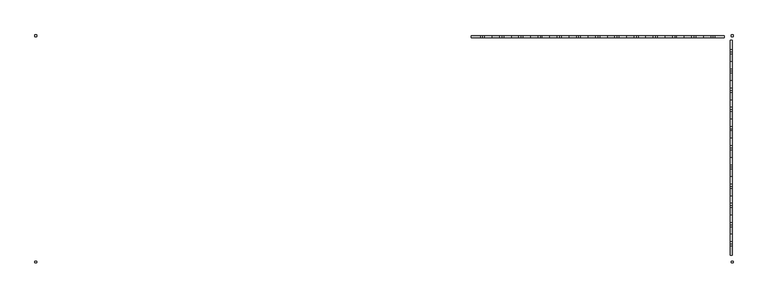
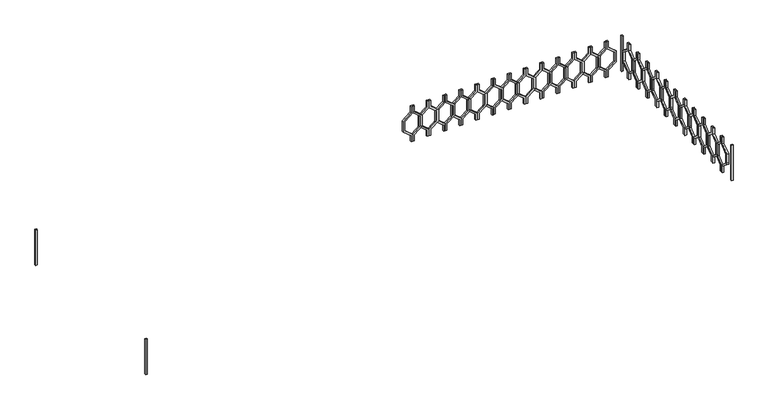
"""IFC4 building model written with IfcOpenShell, lengths in millimetres: railing geometry."""

from ifc_helpers import new_model, si_unit, frame, origin, place, context, project, spatial, polyline, outline, extrude, source, transform, mapped, element, save


def railing_db659bd9(model_context):
    return source(origin(), model_context, "Body", "SweptSolid", [
        extrude(outline(polyline([(18760.0, -43314.9887159), (18760.0, -43334.9887159), (18680.0, -43334.9887159), (18600.0, -43433.9836653), (18460.0, -43433.9836653), (18380.0, -43334.9887159), (18300.0, -43334.9887159), (18300.0, -43314.9887159), (18389.551845, -43314.9887159), (18469.551845, -43413.9836653), (18590.448155, -43413.9836653), (18670.448155, -43314.9887159), (18760.0, -43314.9887159)])), frame((0.0, 3248.1079487, 0.0), z_axis=(0.0, 1.0, 0.0), x_axis=(0.0, 0.0, 1.0)), (0.0, 0.0, 1.0), 20.0),
        extrude(outline(polyline([(18760.0, -43314.9887159), (18670.448155, -43314.9887159), (18590.448155, -43215.9937665), (18469.551845, -43215.9937665), (18389.551845, -43314.9887159), (18300.0, -43314.9887159), (18300.0, -43294.9887159), (18380.0, -43294.9887159), (18460.0, -43195.9937665), (18600.0, -43195.9937665), (18680.0, -43294.9887159), (18760.0, -43294.9887159), (18760.0, -43314.9887159)])), frame((0.0, 3248.1079487, 0.0), z_axis=(0.0, 1.0, 0.0), x_axis=(0.0, 0.0, 1.0)), (0.0, 0.0, 1.0), 20.0),
        extrude(outline(polyline([(18760.0, -43114.9887159), (18760.0, -43134.9887159), (18680.0, -43134.9887159), (18600.0, -43233.9836653), (18460.0, -43233.9836653), (18380.0, -43134.9887159), (18300.0, -43134.9887159), (18300.0, -43114.9887159), (18389.551845, -43114.9887159), (18469.551845, -43213.9836653), (18590.448155, -43213.9836653), (18670.448155, -43114.9887159), (18760.0, -43114.9887159)])), frame((0.0, 3248.1079487, 0.0), z_axis=(0.0, 1.0, 0.0), x_axis=(0.0, 0.0, 1.0)), (0.0, 0.0, 1.0), 20.0),
        extrude(outline(polyline([(18760.0, -43114.9887159), (18670.448155, -43114.9887159), (18590.448155, -43015.9937665), (18469.551845, -43015.9937665), (18389.551845, -43114.9887159), (18300.0, -43114.9887159), (18300.0, -43094.9887159), (18380.0, -43094.9887159), (18460.0, -42995.9937665), (18600.0, -42995.9937665), (18680.0, -43094.9887159), (18760.0, -43094.9887159), (18760.0, -43114.9887159)])), frame((0.0, 3248.1079487, 0.0), z_axis=(0.0, 1.0, 0.0), x_axis=(0.0, 0.0, 1.0)), (0.0, 0.0, 1.0), 20.0),
        extrude(outline(polyline([(18760.0, -42914.9887159), (18760.0, -42934.9887159), (18680.0, -42934.9887159), (18600.0, -43033.9836653), (18460.0, -43033.9836653), (18380.0, -42934.9887159), (18300.0, -42934.9887159), (18300.0, -42914.9887159), (18389.551845, -42914.9887159), (18469.551845, -43013.9836653), (18590.448155, -43013.9836653), (18670.448155, -42914.9887159), (18760.0, -42914.9887159)])), frame((0.0, 3248.1079487, 0.0), z_axis=(0.0, 1.0, 0.0), x_axis=(0.0, 0.0, 1.0)), (0.0, 0.0, 1.0), 20.0),
        extrude(outline(polyline([(18760.0, -42914.9887159), (18670.448155, -42914.9887159), (18590.448155, -42815.9937665), (18469.551845, -42815.9937665), (18389.551845, -42914.9887159), (18300.0, -42914.9887159), (18300.0, -42894.9887159), (18380.0, -42894.9887159), (18460.0, -42795.9937665), (18600.0, -42795.9937665), (18680.0, -42894.9887159), (18760.0, -42894.9887159), (18760.0, -42914.9887159)])), frame((0.0, 3248.1079487, 0.0), z_axis=(0.0, 1.0, 0.0), x_axis=(0.0, 0.0, 1.0)), (0.0, 0.0, 1.0), 20.0),
        extrude(outline(polyline([(18760.0, -42714.9887159), (18760.0, -42734.9887159), (18680.0, -42734.9887159), (18600.0, -42833.9836653), (18460.0, -42833.9836653), (18380.0, -42734.9887159), (18300.0, -42734.9887159), (18300.0, -42714.9887159), (18389.551845, -42714.9887159), (18469.551845, -42813.9836653), (18590.448155, -42813.9836653), (18670.448155, -42714.9887159), (18760.0, -42714.9887159)])), frame((0.0, 3248.1079487, 0.0), z_axis=(0.0, 1.0, 0.0), x_axis=(0.0, 0.0, 1.0)), (0.0, 0.0, 1.0), 20.0),
        extrude(outline(polyline([(18760.0, -42714.9887159), (18670.448155, -42714.9887159), (18590.448155, -42615.9937665), (18469.551845, -42615.9937665), (18389.551845, -42714.9887159), (18300.0, -42714.9887159), (18300.0, -42694.9887159), (18380.0, -42694.9887159), (18460.0, -42595.9937665), (18600.0, -42595.9937665), (18680.0, -42694.9887159), (18760.0, -42694.9887159), (18760.0, -42714.9887159)])), frame((0.0, 3248.1079487, 0.0), z_axis=(0.0, 1.0, 0.0), x_axis=(0.0, 0.0, 1.0)), (0.0, 0.0, 1.0), 20.0),
        extrude(outline(polyline([(18760.0, -42514.9887159), (18760.0, -42534.9887159), (18680.0, -42534.9887159), (18600.0, -42633.9836653), (18460.0, -42633.9836653), (18380.0, -42534.9887159), (18300.0, -42534.9887159), (18300.0, -42514.9887159), (18389.551845, -42514.9887159), (18469.551845, -42613.9836653), (18590.448155, -42613.9836653), (18670.448155, -42514.9887159), (18760.0, -42514.9887159)])), frame((0.0, 3248.1079487, 0.0), z_axis=(0.0, 1.0, 0.0), x_axis=(0.0, 0.0, 1.0)), (0.0, 0.0, 1.0), 20.0),
        extrude(outline(polyline([(18760.0, -42514.9887159), (18670.448155, -42514.9887159), (18590.448155, -42415.9937665), (18469.551845, -42415.9937665), (18389.551845, -42514.9887159), (18300.0, -42514.9887159), (18300.0, -42494.9887159), (18380.0, -42494.9887159), (18460.0, -42395.9937665), (18600.0, -42395.9937665), (18680.0, -42494.9887159), (18760.0, -42494.9887159), (18760.0, -42514.9887159)])), frame((0.0, 3248.1079487, 0.0), z_axis=(0.0, 1.0, 0.0), x_axis=(0.0, 0.0, 1.0)), (0.0, 0.0, 1.0), 20.0),
        extrude(outline(polyline([(18760.0, -42314.9887159), (18760.0, -42334.9887159), (18680.0, -42334.9887159), (18600.0, -42433.9836653), (18460.0, -42433.9836653), (18380.0, -42334.9887159), (18300.0, -42334.9887159), (18300.0, -42314.9887159), (18389.551845, -42314.9887159), (18469.551845, -42413.9836653), (18590.448155, -42413.9836653), (18670.448155, -42314.9887159), (18760.0, -42314.9887159)])), frame((0.0, 3248.1079487, 0.0), z_axis=(0.0, 1.0, 0.0), x_axis=(0.0, 0.0, 1.0)), (0.0, 0.0, 1.0), 20.0),
        extrude(outline(polyline([(18760.0, -42314.9887159), (18670.448155, -42314.9887159), (18590.448155, -42215.9937665), (18469.551845, -42215.9937665), (18389.551845, -42314.9887159), (18300.0, -42314.9887159), (18300.0, -42294.9887159), (18380.0, -42294.9887159), (18460.0, -42195.9937665), (18600.0, -42195.9937665), (18680.0, -42294.9887159), (18760.0, -42294.9887159), (18760.0, -42314.9887159)])), frame((0.0, 3248.1079487, 0.0), z_axis=(0.0, 1.0, 0.0), x_axis=(0.0, 0.0, 1.0)), (0.0, 0.0, 1.0), 20.0),
        extrude(outline(polyline([(18760.0, -42114.9887159), (18760.0, -42134.9887159), (18680.0, -42134.9887159), (18600.0, -42233.9836653), (18460.0, -42233.9836653), (18380.0, -42134.9887159), (18300.0, -42134.9887159), (18300.0, -42114.9887159), (18389.551845, -42114.9887159), (18469.551845, -42213.9836653), (18590.448155, -42213.9836653), (18670.448155, -42114.9887159), (18760.0, -42114.9887159)])), frame((0.0, 3248.1079487, 0.0), z_axis=(0.0, 1.0, 0.0), x_axis=(0.0, 0.0, 1.0)), (0.0, 0.0, 1.0), 20.0),
        extrude(outline(polyline([(18760.0, -42114.9887159), (18670.448155, -42114.9887159), (18590.448155, -42015.9937665), (18469.551845, -42015.9937665), (18389.551845, -42114.9887159), (18300.0, -42114.9887159), (18300.0, -42094.9887159), (18380.0, -42094.9887159), (18460.0, -41995.9937665), (18600.0, -41995.9937665), (18680.0, -42094.9887159), (18760.0, -42094.9887159), (18760.0, -42114.9887159)])), frame((0.0, 3248.1079487, 0.0), z_axis=(0.0, 1.0, 0.0), x_axis=(0.0, 0.0, 1.0)), (0.0, 0.0, 1.0), 20.0),
        extrude(outline(polyline([(18760.0, -41914.9887159), (18760.0, -41934.9887159), (18680.0, -41934.9887159), (18600.0, -42033.9836653), (18460.0, -42033.9836653), (18380.0, -41934.9887159), (18300.0, -41934.9887159), (18300.0, -41914.9887159), (18389.551845, -41914.9887159), (18469.551845, -42013.9836653), (18590.448155, -42013.9836653), (18670.448155, -41914.9887159), (18760.0, -41914.9887159)])), frame((0.0, 3248.1079487, 0.0), z_axis=(0.0, 1.0, 0.0), x_axis=(0.0, 0.0, 1.0)), (0.0, 0.0, 1.0), 20.0),
        extrude(outline(polyline([(18760.0, -41914.9887159), (18670.448155, -41914.9887159), (18590.448155, -41815.9937665), (18469.551845, -41815.9937665), (18389.551845, -41914.9887159), (18300.0, -41914.9887159), (18300.0, -41894.9887159), (18380.0, -41894.9887159), (18460.0, -41795.9937665), (18600.0, -41795.9937665), (18680.0, -41894.9887159), (18760.0, -41894.9887159), (18760.0, -41914.9887159)])), frame((0.0, 3248.1079487, 0.0), z_axis=(0.0, 1.0, 0.0), x_axis=(0.0, 0.0, 1.0)), (0.0, 0.0, 1.0), 20.0),
        extrude(outline(polyline([(18760.0, -41714.9887159), (18760.0, -41734.9887159), (18680.0, -41734.9887159), (18600.0, -41833.9836653), (18460.0, -41833.9836653), (18380.0, -41734.9887159), (18300.0, -41734.9887159), (18300.0, -41714.9887159), (18389.551845, -41714.9887159), (18469.551845, -41813.9836653), (18590.448155, -41813.9836653), (18670.448155, -41714.9887159), (18760.0, -41714.9887159)])), frame((0.0, 3248.1079487, 0.0), z_axis=(0.0, 1.0, 0.0), x_axis=(0.0, 0.0, 1.0)), (0.0, 0.0, 1.0), 20.0),
        extrude(outline(polyline([(18760.0, -41714.9887159), (18670.448155, -41714.9887159), (18590.448155, -41615.9937665), (18469.551845, -41615.9937665), (18389.551845, -41714.9887159), (18300.0, -41714.9887159), (18300.0, -41694.9887159), (18380.0, -41694.9887159), (18460.0, -41595.9937665), (18600.0, -41595.9937665), (18680.0, -41694.9887159), (18760.0, -41694.9887159), (18760.0, -41714.9887159)])), frame((0.0, 3248.1079487, 0.0), z_axis=(0.0, 1.0, 0.0), x_axis=(0.0, 0.0, 1.0)), (0.0, 0.0, 1.0), 20.0),
        extrude(outline(polyline([(18760.0, -41514.9887159), (18760.0, -41534.9887159), (18680.0, -41534.9887159), (18600.0, -41633.9836653), (18460.0, -41633.9836653), (18380.0, -41534.9887159), (18300.0, -41534.9887159), (18300.0, -41514.9887159), (18389.551845, -41514.9887159), (18469.551845, -41613.9836653), (18590.448155, -41613.9836653), (18670.448155, -41514.9887159), (18760.0, -41514.9887159)])), frame((0.0, 3248.1079487, 0.0), z_axis=(0.0, 1.0, 0.0), x_axis=(0.0, 0.0, 1.0)), (0.0, 0.0, 1.0), 20.0),
        extrude(outline(polyline([(18760.0, -41514.9887159), (18670.448155, -41514.9887159), (18590.448155, -41415.9937665), (18469.551845, -41415.9937665), (18389.551845, -41514.9887159), (18300.0, -41514.9887159), (18300.0, -41494.9887159), (18380.0, -41494.9887159), (18460.0, -41395.9937665), (18600.0, -41395.9937665), (18680.0, -41494.9887159), (18760.0, -41494.9887159), (18760.0, -41514.9887159)])), frame((0.0, 3248.1079487, 0.0), z_axis=(0.0, 1.0, 0.0), x_axis=(0.0, 0.0, 1.0)), (0.0, 0.0, 1.0), 20.0),
        extrude(outline(polyline([(18760.0, -41314.9887159), (18760.0, -41334.9887159), (18680.0, -41334.9887159), (18600.0, -41433.9836653), (18460.0, -41433.9836653), (18380.0, -41334.9887159), (18300.0, -41334.9887159), (18300.0, -41314.9887159), (18389.551845, -41314.9887159), (18469.551845, -41413.9836653), (18590.448155, -41413.9836653), (18670.448155, -41314.9887159), (18760.0, -41314.9887159)])), frame((0.0, 3248.1079487, 0.0), z_axis=(0.0, 1.0, 0.0), x_axis=(0.0, 0.0, 1.0)), (0.0, 0.0, 1.0), 20.0),
        extrude(outline(polyline([(18760.0, -41314.9887159), (18670.448155, -41314.9887159), (18590.448155, -41215.9937665), (18469.551845, -41215.9937665), (18389.551845, -41314.9887159), (18300.0, -41314.9887159), (18300.0, -41294.9887159), (18380.0, -41294.9887159), (18460.0, -41195.9937665), (18600.0, -41195.9937665), (18680.0, -41294.9887159), (18760.0, -41294.9887159), (18760.0, -41314.9887159)])), frame((0.0, 3248.1079487, 0.0), z_axis=(0.0, 1.0, 0.0), x_axis=(0.0, 0.0, 1.0)), (0.0, 0.0, 1.0), 20.0),
        extrude(outline(polyline([(18760.0, -41114.9887159), (18760.0, -41134.9887159), (18680.0, -41134.9887159), (18600.0, -41233.9836653), (18460.0, -41233.9836653), (18380.0, -41134.9887159), (18300.0, -41134.9887159), (18300.0, -41114.9887159), (18389.551845, -41114.9887159), (18469.551845, -41213.9836653), (18590.448155, -41213.9836653), (18670.448155, -41114.9887159), (18760.0, -41114.9887159)])), frame((0.0, 3248.1079487, 0.0), z_axis=(0.0, 1.0, 0.0), x_axis=(0.0, 0.0, 1.0)), (0.0, 0.0, 1.0), 20.0),
        extrude(outline(polyline([(18760.0, -41114.9887159), (18670.448155, -41114.9887159), (18590.448155, -41015.9937665), (18469.551845, -41015.9937665), (18389.551845, -41114.9887159), (18300.0, -41114.9887159), (18300.0, -41094.9887159), (18380.0, -41094.9887159), (18460.0, -40995.9937665), (18600.0, -40995.9937665), (18680.0, -41094.9887159), (18760.0, -41094.9887159), (18760.0, -41114.9887159)])), frame((0.0, 3248.1079487, 0.0), z_axis=(0.0, 1.0, 0.0), x_axis=(0.0, 0.0, 1.0)), (0.0, 0.0, 1.0), 20.0),
        extrude(outline(polyline([(18760.0, -40914.9887159), (18760.0, -40934.9887159), (18680.0, -40934.9887159), (18600.0, -41033.9836653), (18460.0, -41033.9836653), (18380.0, -40934.9887159), (18300.0, -40934.9887159), (18300.0, -40914.9887159), (18389.551845, -40914.9887159), (18469.551845, -41013.9836653), (18590.448155, -41013.9836653), (18670.448155, -40914.9887159), (18760.0, -40914.9887159)])), frame((0.0, 3248.1079487, 0.0), z_axis=(0.0, 1.0, 0.0), x_axis=(0.0, 0.0, 1.0)), (0.0, 0.0, 1.0), 20.0),
        extrude(outline(polyline([(18760.0, -40914.9887159), (18670.448155, -40914.9887159), (18590.448155, -40815.9937665), (18469.551845, -40815.9937665), (18389.551845, -40914.9887159), (18300.0, -40914.9887159), (18300.0, -40894.9887159), (18380.0, -40894.9887159), (18460.0, -40795.9937665), (18600.0, -40795.9937665), (18680.0, -40894.9887159), (18760.0, -40894.9887159), (18760.0, -40914.9887159)])), frame((0.0, 3248.1079487, 0.0), z_axis=(0.0, 1.0, 0.0), x_axis=(0.0, 0.0, 1.0)), (0.0, 0.0, 1.0), 20.0),
        extrude(outline(polyline([(3103.1079487, 18760.0), (3123.1079487, 18760.0), (3123.1079487, 18680.0), (3222.102898, 18600.0), (3222.102898, 18460.0), (3123.1079487, 18380.0), (3123.1079487, 18300.0), (3103.1079487, 18300.0), (3103.1079487, 18389.551845), (3202.102898, 18469.551845), (3202.102898, 18590.448155), (3103.1079487, 18670.448155), (3103.1079487, 18760.0)])), frame((-40734.9887159, 0.0, 0.0), z_axis=(1.0, 0.0, 0.0), x_axis=(0.0, 1.0, 0.0)), (0.0, 0.0, 1.0), 20.0),
        extrude(outline(polyline([(3103.1079487, 18760.0), (3103.1079487, 18670.448155), (3004.1129993, 18590.448155), (3004.1129993, 18469.551845), (3103.1079487, 18389.551845), (3103.1079487, 18300.0), (3083.1079487, 18300.0), (3083.1079487, 18380.0), (2984.1129993, 18460.0), (2984.1129993, 18600.0), (3083.1079487, 18680.0), (3083.1079487, 18760.0), (3103.1079487, 18760.0)])), frame((-40734.9887159, 0.0, 0.0), z_axis=(1.0, 0.0, 0.0), x_axis=(0.0, 1.0, 0.0)), (0.0, 0.0, 1.0), 20.0),
        extrude(outline(polyline([(2903.1079487, 18760.0), (2923.1079487, 18760.0), (2923.1079487, 18680.0), (3022.102898, 18600.0), (3022.102898, 18460.0), (2923.1079487, 18380.0), (2923.1079487, 18300.0), (2903.1079487, 18300.0), (2903.1079487, 18389.551845), (3002.102898, 18469.551845), (3002.102898, 18590.448155), (2903.1079487, 18670.448155), (2903.1079487, 18760.0)])), frame((-40734.9887159, 0.0, 0.0), z_axis=(1.0, 0.0, 0.0), x_axis=(0.0, 1.0, 0.0)), (0.0, 0.0, 1.0), 20.0),
        extrude(outline(polyline([(2903.1079487, 18760.0), (2903.1079487, 18670.448155), (2804.1129993, 18590.448155), (2804.1129993, 18469.551845), (2903.1079487, 18389.551845), (2903.1079487, 18300.0), (2883.1079487, 18300.0), (2883.1079487, 18380.0), (2784.1129993, 18460.0), (2784.1129993, 18600.0), (2883.1079487, 18680.0), (2883.1079487, 18760.0), (2903.1079487, 18760.0)])), frame((-40734.9887159, 0.0, 0.0), z_axis=(1.0, 0.0, 0.0), x_axis=(0.0, 1.0, 0.0)), (0.0, 0.0, 1.0), 20.0),
        extrude(outline(polyline([(2703.1079487, 18760.0), (2723.1079487, 18760.0), (2723.1079487, 18680.0), (2822.102898, 18600.0), (2822.102898, 18460.0), (2723.1079487, 18380.0), (2723.1079487, 18300.0), (2703.1079487, 18300.0), (2703.1079487, 18389.551845), (2802.102898, 18469.551845), (2802.102898, 18590.448155), (2703.1079487, 18670.448155), (2703.1079487, 18760.0)])), frame((-40734.9887159, 0.0, 0.0), z_axis=(1.0, 0.0, 0.0), x_axis=(0.0, 1.0, 0.0)), (0.0, 0.0, 1.0), 20.0),
        extrude(outline(polyline([(2703.1079487, 18760.0), (2703.1079487, 18670.448155), (2604.1129993, 18590.448155), (2604.1129993, 18469.551845), (2703.1079487, 18389.551845), (2703.1079487, 18300.0), (2683.1079487, 18300.0), (2683.1079487, 18380.0), (2584.1129993, 18460.0), (2584.1129993, 18600.0), (2683.1079487, 18680.0), (2683.1079487, 18760.0), (2703.1079487, 18760.0)])), frame((-40734.9887159, 0.0, 0.0), z_axis=(1.0, 0.0, 0.0), x_axis=(0.0, 1.0, 0.0)), (0.0, 0.0, 1.0), 20.0),
        extrude(outline(polyline([(2503.1079487, 18760.0), (2523.1079487, 18760.0), (2523.1079487, 18680.0), (2622.102898, 18600.0), (2622.102898, 18460.0), (2523.1079487, 18380.0), (2523.1079487, 18300.0), (2503.1079487, 18300.0), (2503.1079487, 18389.551845), (2602.102898, 18469.551845), (2602.102898, 18590.448155), (2503.1079487, 18670.448155), (2503.1079487, 18760.0)])), frame((-40734.9887159, 0.0, 0.0), z_axis=(1.0, 0.0, 0.0), x_axis=(0.0, 1.0, 0.0)), (0.0, 0.0, 1.0), 20.0),
        extrude(outline(polyline([(2503.1079487, 18760.0), (2503.1079487, 18670.448155), (2404.1129993, 18590.448155), (2404.1129993, 18469.551845), (2503.1079487, 18389.551845), (2503.1079487, 18300.0), (2483.1079487, 18300.0), (2483.1079487, 18380.0), (2384.1129993, 18460.0), (2384.1129993, 18600.0), (2483.1079487, 18680.0), (2483.1079487, 18760.0), (2503.1079487, 18760.0)])), frame((-40734.9887159, 0.0, 0.0), z_axis=(1.0, 0.0, 0.0), x_axis=(0.0, 1.0, 0.0)), (0.0, 0.0, 1.0), 20.0),
        extrude(outline(polyline([(2303.1079487, 18760.0), (2323.1079487, 18760.0), (2323.1079487, 18680.0), (2422.102898, 18600.0), (2422.102898, 18460.0), (2323.1079487, 18380.0), (2323.1079487, 18300.0), (2303.1079487, 18300.0), (2303.1079487, 18389.551845), (2402.102898, 18469.551845), (2402.102898, 18590.448155), (2303.1079487, 18670.448155), (2303.1079487, 18760.0)])), frame((-40734.9887159, 0.0, 0.0), z_axis=(1.0, 0.0, 0.0), x_axis=(0.0, 1.0, 0.0)), (0.0, 0.0, 1.0), 20.0),
        extrude(outline(polyline([(2303.1079487, 18760.0), (2303.1079487, 18670.448155), (2204.1129993, 18590.448155), (2204.1129993, 18469.551845), (2303.1079487, 18389.551845), (2303.1079487, 18300.0), (2283.1079487, 18300.0), (2283.1079487, 18380.0), (2184.1129993, 18460.0), (2184.1129993, 18600.0), (2283.1079487, 18680.0), (2283.1079487, 18760.0), (2303.1079487, 18760.0)])), frame((-40734.9887159, 0.0, 0.0), z_axis=(1.0, 0.0, 0.0), x_axis=(0.0, 1.0, 0.0)), (0.0, 0.0, 1.0), 20.0),
        extrude(outline(polyline([(2103.1079487, 18760.0), (2123.1079487, 18760.0), (2123.1079487, 18680.0), (2222.102898, 18600.0), (2222.102898, 18460.0), (2123.1079487, 18380.0), (2123.1079487, 18300.0), (2103.1079487, 18300.0), (2103.1079487, 18389.551845), (2202.102898, 18469.551845), (2202.102898, 18590.448155), (2103.1079487, 18670.448155), (2103.1079487, 18760.0)])), frame((-40734.9887159, 0.0, 0.0), z_axis=(1.0, 0.0, 0.0), x_axis=(0.0, 1.0, 0.0)), (0.0, 0.0, 1.0), 20.0),
        extrude(outline(polyline([(2103.1079487, 18760.0), (2103.1079487, 18670.448155), (2004.1129993, 18590.448155), (2004.1129993, 18469.551845), (2103.1079487, 18389.551845), (2103.1079487, 18300.0), (2083.1079487, 18300.0), (2083.1079487, 18380.0), (1984.1129993, 18460.0), (1984.1129993, 18600.0), (2083.1079487, 18680.0), (2083.1079487, 18760.0), (2103.1079487, 18760.0)])), frame((-40734.9887159, 0.0, 0.0), z_axis=(1.0, 0.0, 0.0), x_axis=(0.0, 1.0, 0.0)), (0.0, 0.0, 1.0), 20.0),
        extrude(outline(polyline([(1903.1079487, 18760.0), (1923.1079487, 18760.0), (1923.1079487, 18680.0), (2022.102898, 18600.0), (2022.102898, 18460.0), (1923.1079487, 18380.0), (1923.1079487, 18300.0), (1903.1079487, 18300.0), (1903.1079487, 18389.551845), (2002.102898, 18469.551845), (2002.102898, 18590.448155), (1903.1079487, 18670.448155), (1903.1079487, 18760.0)])), frame((-40734.9887159, 0.0, 0.0), z_axis=(1.0, 0.0, 0.0), x_axis=(0.0, 1.0, 0.0)), (0.0, 0.0, 1.0), 20.0),
        extrude(outline(polyline([(1903.1079487, 18760.0), (1903.1079487, 18670.448155), (1804.1129993, 18590.448155), (1804.1129993, 18469.551845), (1903.1079487, 18389.551845), (1903.1079487, 18300.0), (1883.1079487, 18300.0), (1883.1079487, 18380.0), (1784.1129993, 18460.0), (1784.1129993, 18600.0), (1883.1079487, 18680.0), (1883.1079487, 18760.0), (1903.1079487, 18760.0)])), frame((-40734.9887159, 0.0, 0.0), z_axis=(1.0, 0.0, 0.0), x_axis=(0.0, 1.0, 0.0)), (0.0, 0.0, 1.0), 20.0),
        extrude(outline(polyline([(1703.1079487, 18760.0), (1723.1079487, 18760.0), (1723.1079487, 18680.0), (1822.102898, 18600.0), (1822.102898, 18460.0), (1723.1079487, 18380.0), (1723.1079487, 18300.0), (1703.1079487, 18300.0), (1703.1079487, 18389.551845), (1802.102898, 18469.551845), (1802.102898, 18590.448155), (1703.1079487, 18670.448155), (1703.1079487, 18760.0)])), frame((-40734.9887159, 0.0, 0.0), z_axis=(1.0, 0.0, 0.0), x_axis=(0.0, 1.0, 0.0)), (0.0, 0.0, 1.0), 20.0),
        extrude(outline(polyline([(1703.1079487, 18760.0), (1703.1079487, 18670.448155), (1604.1129993, 18590.448155), (1604.1129993, 18469.551845), (1703.1079487, 18389.551845), (1703.1079487, 18300.0), (1683.1079487, 18300.0), (1683.1079487, 18380.0), (1584.1129993, 18460.0), (1584.1129993, 18600.0), (1683.1079487, 18680.0), (1683.1079487, 18760.0), (1703.1079487, 18760.0)])), frame((-40734.9887159, 0.0, 0.0), z_axis=(1.0, 0.0, 0.0), x_axis=(0.0, 1.0, 0.0)), (0.0, 0.0, 1.0), 20.0),
        extrude(outline(polyline([(1503.1079487, 18760.0), (1523.1079487, 18760.0), (1523.1079487, 18680.0), (1622.102898, 18600.0), (1622.102898, 18460.0), (1523.1079487, 18380.0), (1523.1079487, 18300.0), (1503.1079487, 18300.0), (1503.1079487, 18389.551845), (1602.102898, 18469.551845), (1602.102898, 18590.448155), (1503.1079487, 18670.448155), (1503.1079487, 18760.0)])), frame((-40734.9887159, 0.0, 0.0), z_axis=(1.0, 0.0, 0.0), x_axis=(0.0, 1.0, 0.0)), (0.0, 0.0, 1.0), 20.0),
        extrude(outline(polyline([(1503.1079487, 18760.0), (1503.1079487, 18670.448155), (1404.1129993, 18590.448155), (1404.1129993, 18469.551845), (1503.1079487, 18389.551845), (1503.1079487, 18300.0), (1483.1079487, 18300.0), (1483.1079487, 18380.0), (1384.1129993, 18460.0), (1384.1129993, 18600.0), (1483.1079487, 18680.0), (1483.1079487, 18760.0), (1503.1079487, 18760.0)])), frame((-40734.9887159, 0.0, 0.0), z_axis=(1.0, 0.0, 0.0), x_axis=(0.0, 1.0, 0.0)), (0.0, 0.0, 1.0), 20.0),
        extrude(outline(polyline([(1303.1079487, 18760.0), (1323.1079487, 18760.0), (1323.1079487, 18680.0), (1422.102898, 18600.0), (1422.102898, 18460.0), (1323.1079487, 18380.0), (1323.1079487, 18300.0), (1303.1079487, 18300.0), (1303.1079487, 18389.551845), (1402.102898, 18469.551845), (1402.102898, 18590.448155), (1303.1079487, 18670.448155), (1303.1079487, 18760.0)])), frame((-40734.9887159, 0.0, 0.0), z_axis=(1.0, 0.0, 0.0), x_axis=(0.0, 1.0, 0.0)), (0.0, 0.0, 1.0), 20.0),
        extrude(outline(polyline([(1303.1079487, 18760.0), (1303.1079487, 18670.448155), (1204.1129993, 18590.448155), (1204.1129993, 18469.551845), (1303.1079487, 18389.551845), (1303.1079487, 18300.0), (1283.1079487, 18300.0), (1283.1079487, 18380.0), (1184.1129993, 18460.0), (1184.1129993, 18600.0), (1283.1079487, 18680.0), (1283.1079487, 18760.0), (1303.1079487, 18760.0)])), frame((-40734.9887159, 0.0, 0.0), z_axis=(1.0, 0.0, 0.0), x_axis=(0.0, 1.0, 0.0)), (0.0, 0.0, 1.0), 20.0),
        extrude(outline(polyline([(1103.1079487, 18760.0), (1123.1079487, 18760.0), (1123.1079487, 18680.0), (1222.102898, 18600.0), (1222.102898, 18460.0), (1123.1079487, 18380.0), (1123.1079487, 18300.0), (1103.1079487, 18300.0), (1103.1079487, 18389.551845), (1202.102898, 18469.551845), (1202.102898, 18590.448155), (1103.1079487, 18670.448155), (1103.1079487, 18760.0)])), frame((-40734.9887159, 0.0, 0.0), z_axis=(1.0, 0.0, 0.0), x_axis=(0.0, 1.0, 0.0)), (0.0, 0.0, 1.0), 20.0),
        extrude(outline(polyline([(1103.1079487, 18760.0), (1103.1079487, 18670.448155), (1004.1129993, 18590.448155), (1004.1129993, 18469.551845), (1103.1079487, 18389.551845), (1103.1079487, 18300.0), (1083.1079487, 18300.0), (1083.1079487, 18380.0), (984.1129993, 18460.0), (984.1129993, 18600.0), (1083.1079487, 18680.0), (1083.1079487, 18760.0), (1103.1079487, 18760.0)])), frame((-40734.9887159, 0.0, 0.0), z_axis=(1.0, 0.0, 0.0), x_axis=(0.0, 1.0, 0.0)), (0.0, 0.0, 1.0), 20.0),
        extrude(outline(polyline([(-47954.9887159, 3278.1079487), (-47954.9887159, 3258.1079487), (-47974.9887159, 3258.1079487), (-47974.9887159, 3278.1079487), (-47954.9887159, 3278.1079487)])), frame((0.0, 0.0, 18300.0), z_axis=(0.0, 0.0, 1.0), x_axis=(1.0, 0.0, 0.0)), (0.0, 0.0, 1.0), 460.0),
        extrude(outline(polyline([(-40704.9887159, 3258.1079487), (-40724.9887159, 3258.1079487), (-40724.9887159, 3278.1079487), (-40704.9887159, 3278.1079487), (-40704.9887159, 3258.1079487)])), frame((0.0, 0.0, 18300.0), z_axis=(0.0, 0.0, 1.0), x_axis=(1.0, 0.0, 0.0)), (0.0, 0.0, 1.0), 460.0),
        extrude(outline(polyline([(-47974.9887159, 923.1079487), (-47954.9887159, 923.1079487), (-47954.9887159, 903.1079487), (-47974.9887159, 903.1079487), (-47974.9887159, 923.1079487)])), frame((0.0, 0.0, 18300.0), z_axis=(0.0, 0.0, 1.0), x_axis=(1.0, 0.0, 0.0)), (0.0, 0.0, 1.0), 460.0),
        extrude(outline(polyline([(-40704.9887159, 903.1079487), (-40724.9887159, 903.1079487), (-40724.9887159, 923.1079487), (-40704.9887159, 923.1079487), (-40704.9887159, 903.1079487)])), frame((0.0, 0.0, 18300.0), z_axis=(0.0, 0.0, 1.0), x_axis=(1.0, 0.0, 0.0)), (0.0, 0.0, 1.0), 460.0),
    ])


if __name__ == "__main__":
    model = new_model("IFC4")
    model_context = context("Model", 3, world=origin())
    ifc_project = project(units=[si_unit("LENGTHUNIT", "METRE", prefix="MILLI")], contexts=[model_context])
    site = spatial("IfcSite", under=ifc_project)
    building = spatial("IfcBuilding", under=site)
    placement = place(None, origin())
    railing_shape = railing_db659bd9(model_context)
    element("IfcRailing", 1, at=placement, inside=building, context=model_context, shape_type="MappedRepresentation", body=[
        mapped(railing_shape, transform((0.0, 0.0, 0.0), x_axis=(1.0, 0.0, 0.0), y_axis=(0.0, 1.0, 0.0), z_axis=(0.0, 0.0, 1.0))),
    ])
    save(model, "model.ifc")
